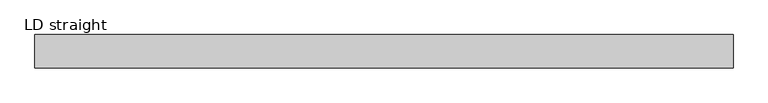
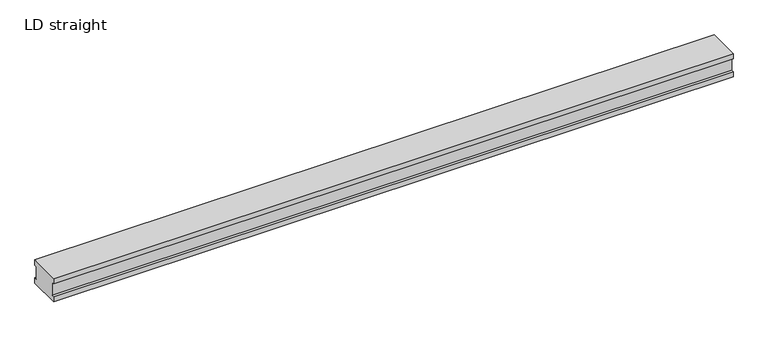
"""IFC4 building model written with IfcOpenShell, lengths in millimetres: proxy geometry, LD straight."""

from ifc_helpers import new_model, si_unit, frame, origin, place, context, project, spatial, polyline, outline, extrude, source, transform, mapped, element, save


def ld_straight_405d0b50(model_context):
    return source(origin(), model_context, "Body", "SweptSolid", [
        extrude(outline(polyline([(240.0, 180.0), (240.0, 140.0), (220.0, 140.0), (220.0, 40.0), (240.0, 40.0), (240.0, 0.0), (0.0, 0.0), (0.0, 40.0), (20.0, 40.0), (20.0, 140.0), (0.0, 140.0), (0.0, 180.0), (240.0, 180.0)])), frame((0.0, 0.0, 0.0), z_axis=(1.0, 0.0, 0.0), x_axis=(0.0, 1.0, 0.0)), (0.0, 0.0, 1.0), 5000.0),
    ])


if __name__ == "__main__":
    model = new_model("IFC4")
    model_context = context("Model", 3, world=origin())
    ifc_project = project(units=[si_unit("LENGTHUNIT", "METRE", prefix="MILLI")], contexts=[model_context])
    site = spatial("IfcSite", under=ifc_project)
    building = spatial("IfcBuilding", under=site)
    placement = place(None, origin())
    ld_straight_shape = ld_straight_405d0b50(model_context)
    element("IfcBuildingElementProxy", 1, Name="LD straight", ObjectType="LD straight", at=placement, inside=building, context=model_context, shape_type="MappedRepresentation", body=[
        mapped(ld_straight_shape, transform((0.0, 0.0, 0.0), x_axis=(1.0, 0.0, 0.0), y_axis=(0.0, 1.0, 0.0), z_axis=(0.0, 0.0, 1.0))),
    ])
    save(model, "model.ifc")
